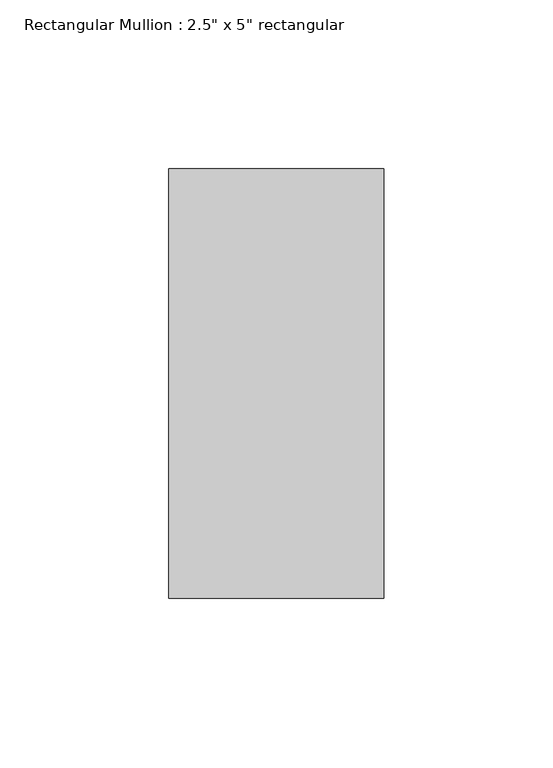
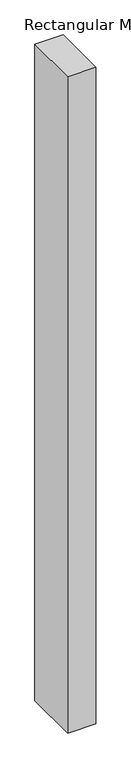
"""IFC4 building model written with IfcOpenShell, lengths in millimetres: member geometry."""

from ifc_helpers import new_model, si_unit, frame, origin, place, context, project, spatial, polyline, outline, extrude, source, transform, mapped, element, save


def member_aafbdc53(model_context):
    return source(origin(), model_context, "Body", "SweptSolid", [
        extrude(outline(polyline([(31.75, 63.5), (31.75, -63.5), (-31.75, -63.5), (-31.75, 63.5), (31.75, 63.5)])), frame((0.0, 0.0, -1555.75), z_axis=(0.0, 0.0, 1.0), x_axis=(1.0, 0.0, 0.0)), (0.0, 0.0, 1.0), 1555.75),
    ])


if __name__ == "__main__":
    model = new_model("IFC4")
    model_context = context("Model", 3, world=origin())
    ifc_project = project(units=[si_unit("LENGTHUNIT", "METRE", prefix="MILLI")], contexts=[model_context])
    site = spatial("IfcSite", under=ifc_project)
    building = spatial("IfcBuilding", under=site)
    placement = place(None, origin())
    member_shape = member_aafbdc53(model_context)
    element("IfcMember", 1, ObjectType="Rectangular Mullion : 2.5\" x 5\" rectangular", at=placement, inside=building, context=model_context, shape_type="MappedRepresentation", body=[
        mapped(member_shape, transform((0.0, 0.0, 0.0), x_axis=(1.0, 0.0, 0.0), y_axis=(0.0, 1.0, 0.0), z_axis=(0.0, 0.0, 1.0))),
    ])
    save(model, "model.ifc")
